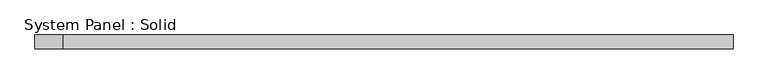
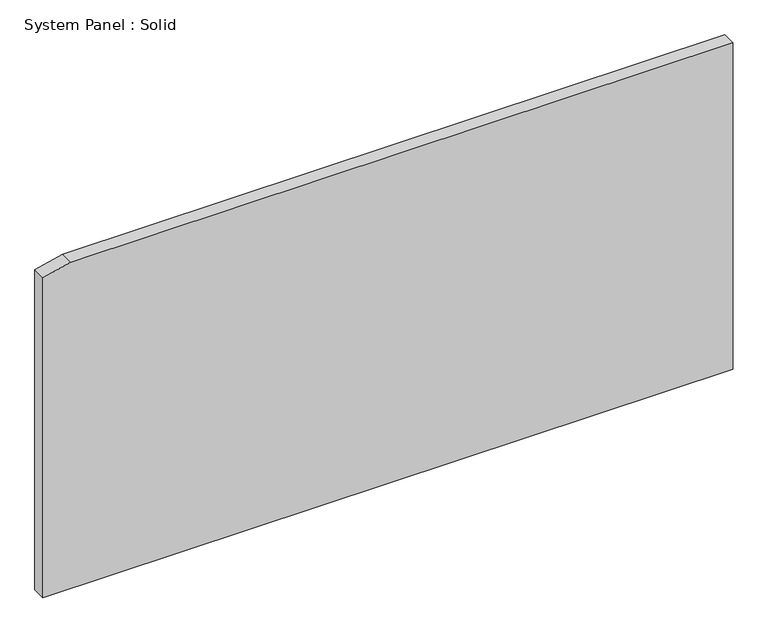
"""IFC4 building model written with IfcOpenShell, lengths in millimetres: plate geometry, System Panel : Solid."""

from ifc_helpers import new_model, si_unit, frame, origin, place, context, project, spatial, polyline, outline, extrude, source, transform, mapped, element, save


def system_panel_solid_93cddf25(model_context):
    return source(origin(), model_context, "Body", "SweptSolid", [
        extrude(outline(polyline([(0.0, -1500.0), (0.0, 1500.0), (1500.0, 1500.0), (1500.0, -1378.2921322), (1470.8618715, -1500.0), (0.0, -1500.0)])), frame((0.0, -10.5, 0.0), z_axis=(0.0, 1.0, 0.0), x_axis=(0.0, 0.0, 1.0)), (0.0, 0.0, 1.0), 60.0),
    ])


if __name__ == "__main__":
    model = new_model("IFC4")
    model_context = context("Model", 3, world=origin())
    ifc_project = project(units=[si_unit("LENGTHUNIT", "METRE", prefix="MILLI")], contexts=[model_context])
    site = spatial("IfcSite", under=ifc_project)
    building = spatial("IfcBuilding", under=site)
    placement = place(None, origin())
    system_panel_solid_shape = system_panel_solid_93cddf25(model_context)
    element("IfcPlate", 1, ObjectType="System Panel : Solid", at=placement, inside=building, context=model_context, shape_type="MappedRepresentation", body=[
        mapped(system_panel_solid_shape, transform((0.0, 0.0, 0.0), x_axis=(1.0, 0.0, 0.0), y_axis=(0.0, 1.0, 0.0), z_axis=(0.0, 0.0, 1.0))),
    ])
    save(model, "model.ifc")
